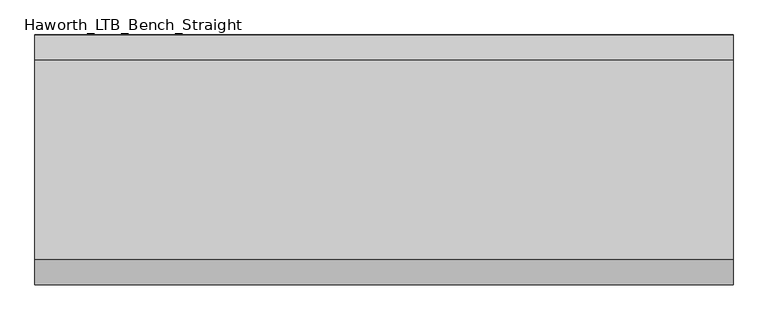
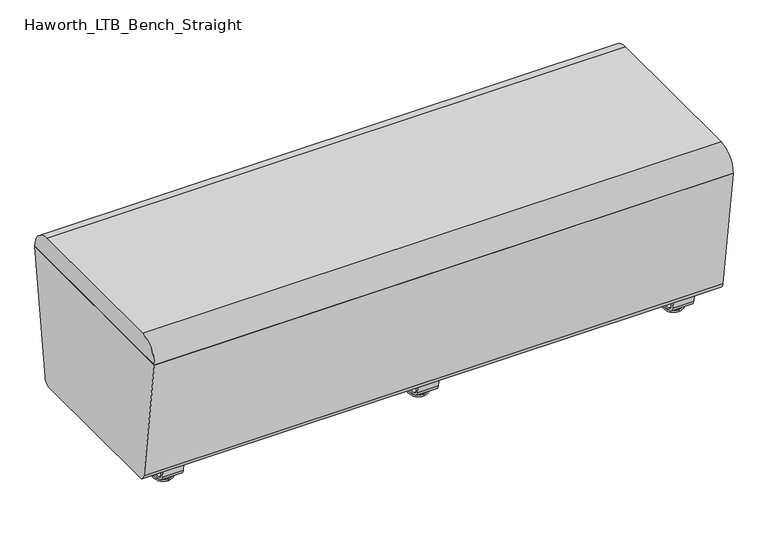
"""IFC4 building model written with IfcOpenShell, lengths in millimetres: furniture geometry, Haworth_LTB_Bench_Straight."""

from ifc_helpers import new_model, si_unit, point, frame, frame_2d, origin, place, context, project, spatial, polyline, circle_curve, ellipse_curve, trimmed, segment, composite_curve, outline, extrude, source, transform, mapped, element, save
from ifc_brep_helpers import plane_surface, cylinder_surface, revolved_surface, advanced_brep


def haworth_ltb_bench_straight_072368e2(model_context):
    return source(origin(), model_context, "Body", "SolidModel", [
        extrude(outline(composite_curve([segment(polyline([(-206.6541239, 66.3557108), (-249.9820603, 374.65), (249.9820603, 374.65), (206.6541239, 66.3557108)]), True, "CONTINUOUS"), segment(trimmed(circle_curve(frame_2d((187.8390314, 68.9999996)), 18.9999992), [point((206.6541239, 66.3557108))], [point((187.8390314, 50.0000004))], False, "CARTESIAN"), True, "CONTINUOUS"), segment(polyline([(187.8390314, 50.0000004), (-187.8390314, 50.0000004)]), True, "CONTINUOUS"), segment(trimmed(circle_curve(frame_2d((-187.8390314, 68.9999996)), 18.9999992), [point((-187.8390314, 50.0000004))], [point((-206.6541239, 66.3557108))], False, "CARTESIAN"), True, "CONTINUOUS")], self_intersect=False)), frame((-698.5, 0.0, 0.0), z_axis=(1.0, 0.0, 0.0), x_axis=(0.0, 1.0, 0.0)), (0.0, 0.0, 1.0), 1397.0),
        extrude(outline(composite_curve([segment(polyline([(-200.0364582, 425.0000034), (200.0364582, 425.0000034)]), True, "CONTINUOUS"), segment(trimmed(circle_curve(frame_2d((200.0364582, 375.0527773)), 49.9472261), [point((200.0364582, 425.0000034))], [point((249.9820603, 374.6499999))], False, "CARTESIAN"), True, "CONTINUOUS"), segment(polyline([(249.9820603, 374.6499999), (-249.9820603, 374.6499999)]), True, "CONTINUOUS"), segment(trimmed(circle_curve(frame_2d((-200.0364582, 375.0527773)), 49.9472261), [point((-249.9820603, 374.6499999))], [point((-200.0364582, 425.0000034))], False, "CARTESIAN"), True, "CONTINUOUS")], self_intersect=False)), frame((-698.5, 0.0, 0.0), z_axis=(1.0, 0.0, 0.0), x_axis=(0.0, 1.0, 0.0)), (0.0, 0.0, 1.0), 1397.0),
        advanced_brep(
        [(0.0, 134.8425052, 7.8133431), (0.0, 138.0765284, 7.8133431), (0.0, 147.6015284, 7.8133431), (0.0, 150.8355515, 7.8133431), (0.0, 120.9001513, 4.0775), (0.0, 164.7779054, 4.0775), (0.0, 121.3107026, 0.0), (0.0, 164.3673542, 0.0), (0.0, 142.8390284, 0.0), (0.0, 138.0765284, 50.0000004), (0.0, 142.8390284, 50.0000004), (0.0, 147.6015284, 50.0000004)],
        [
            (0, 1),
            (1, 2, circle_curve(frame((0.0, 142.8390284, 7.8133431), z_axis=(0.0, 0.0, -1.0), x_axis=(0.0, 1.0, 0.0)), 4.7625)),
            (2, 3),
            (3, 0, circle_curve(frame((0.0, 142.8390284, 7.8133431), z_axis=(0.0, 0.0, 1.0), x_axis=(0.0, 1.0, 0.0)), 7.9965232)),
            (2, 1, circle_curve(frame((0.0, 142.8390284, 7.8133431), z_axis=(0.0, 0.0, -1.0), x_axis=(0.0, 1.0, 0.0)), 4.7625)),
            (0, 3, circle_curve(frame((0.0, 142.8390284, 7.8133431), z_axis=(0.0, 0.0, 1.0), x_axis=(0.0, 1.0, 0.0)), 7.9965232)),
            (4, 0),
            (3, 5),
            (5, 4, circle_curve(frame((0.0, 142.8390284, 4.0775), z_axis=(0.0, 0.0, 1.0), x_axis=(0.0, 1.0, 0.0)), 21.9388771)),
            (4, 5, circle_curve(frame((0.0, 142.8390284, 4.0775), z_axis=(0.0, 0.0, 1.0), x_axis=(0.0, 1.0, 0.0)), 21.9388771)),
            (6, 4, circle_curve(frame((0.0, 121.4374745, 2.0721829), z_axis=(-1.0, 0.0, 0.0), x_axis=(0.0, 1.0, 0.0)), 2.0760571)),
            (5, 7, circle_curve(frame((0.0, 164.2405822, 2.0721829), z_axis=(-1.0, 0.0, 0.0), x_axis=(0.0, -1.0, 0.0)), 2.0760571)),
            (7, 6, circle_curve(frame((0.0, 142.8390284, 0.0), z_axis=(0.0, 0.0, 1.0), x_axis=(0.0, 1.0, 0.0)), 21.5283258)),
            (6, 7, circle_curve(frame((0.0, 142.8390284, 0.0), z_axis=(0.0, 0.0, 1.0), x_axis=(0.0, 1.0, 0.0)), 21.5283258)),
            (8, 6),
            (7, 8),
            (9, 10),
            (10, 11),
            (11, 9, circle_curve(frame((0.0, 142.8390284, 50.0000004), z_axis=(0.0, 0.0, 1.0), x_axis=(0.0, 1.0, 0.0)), 4.7625)),
            (9, 11, circle_curve(frame((0.0, 142.8390284, 50.0000004), z_axis=(0.0, 0.0, 1.0), x_axis=(0.0, 1.0, 0.0)), 4.7625)),
            (1, 9),
            (11, 2),
        ],
        [
            plane_surface(frame((0.0, 142.8390284, 7.8133431), z_axis=(0.0, 0.0, 1.0), x_axis=(0.0, 1.0, 0.0))),
            revolved_surface(polyline([(0.0, 150.8355515, 7.8133431), (0.0, 164.7779054, 4.0775)]), (0.0, 142.8390284, 0.0), (0.0, 0.0, -1.0)),
            revolved_surface(trimmed(ellipse_curve(frame((0.0, 164.2405822, 2.0721829), z_axis=(-1.0, 0.0, 0.0), x_axis=(0.0, -1.0, 0.0)), 2.0760571, 2.0760571), [point((0.0, 164.7779054, 4.0775))], [point((0.0, 164.3673542, 0.0))], True, "CARTESIAN"), (0.0, 142.8390284, 0.0), (0.0, 0.0, -1.0)),
            plane_surface(frame((0.0, 142.8390284, 0.0), z_axis=(0.0, 0.0, -1.0), x_axis=(0.0, 1.0, 0.0))),
            plane_surface(frame((0.0, 142.8390284, 50.0000004), z_axis=(0.0, 0.0, 1.0), x_axis=(0.0, 1.0, 0.0))),
            cylinder_surface(frame((0.0, 142.8390284, 0.0), z_axis=(0.0, 0.0, -1.0), x_axis=(0.0, 1.0, 0.0)), 4.7625),
        ],
        [
            (0, [[1, 2, 3, 4]]),
            (0, [[-3, 5, -1, 6]]),
            (1, [[7, -4, 8, 9]]),
            (1, [[-8, -6, -7, 10]]),
            (2, [[11, -9, 12, 13]]),
            (2, [[-12, -10, -11, 14]]),
            (3, [[15, -13, 16]]),
            (3, [[-16, -14, -15]]),
            (4, [[17, 18, 19]]),
            (4, [[-18, -17, 20]]),
            (5, [[21, -19, 22, -2]]),
            (5, [[-22, -20, -21, -5]]),
        ],
    ),
        advanced_brep(
        [(0.0, -138.0765284, 7.8133431), (0.0, -134.8425052, 7.8133431), (0.0, -150.8355515, 7.8133431), (0.0, -147.6015284, 7.8133431), (0.0, -120.9001513, 4.0775), (0.0, -164.7779054, 4.0775), (0.0, -121.3107026, 0.0), (0.0, -164.3673542, 0.0), (0.0, -142.8390284, 0.0), (0.0, -142.8390284, 50.0000004), (0.0, -138.0765284, 50.0000004), (0.0, -147.6015284, 50.0000004)],
        [
            (0, 1),
            (1, 2, circle_curve(frame((0.0, -142.8390284, 7.8133431), z_axis=(0.0, 0.0, 1.0), x_axis=(0.0, -1.0, 0.0)), 7.9965232)),
            (2, 3),
            (3, 0, circle_curve(frame((0.0, -142.8390284, 7.8133431), z_axis=(0.0, 0.0, -1.0), x_axis=(0.0, -1.0, 0.0)), 4.7625)),
            (2, 1, circle_curve(frame((0.0, -142.8390284, 7.8133431), z_axis=(0.0, 0.0, 1.0), x_axis=(0.0, -1.0, 0.0)), 7.9965232)),
            (0, 3, circle_curve(frame((0.0, -142.8390284, 7.8133431), z_axis=(0.0, 0.0, -1.0), x_axis=(0.0, -1.0, 0.0)), 4.7625)),
            (1, 4),
            (4, 5, circle_curve(frame((0.0, -142.8390284, 4.0775), z_axis=(0.0, 0.0, 1.0), x_axis=(0.0, -1.0, 0.0)), 21.9388771)),
            (5, 2),
            (5, 4, circle_curve(frame((0.0, -142.8390284, 4.0775), z_axis=(0.0, 0.0, 1.0), x_axis=(0.0, -1.0, 0.0)), 21.9388771)),
            (4, 6, circle_curve(frame((0.0, -121.4374745, 2.0721829), z_axis=(-1.0, 0.0, 0.0), x_axis=(0.0, -1.0, 0.0)), 2.0760571)),
            (6, 7, circle_curve(frame((0.0, -142.8390284, 0.0), z_axis=(0.0, 0.0, 1.0), x_axis=(0.0, -1.0, 0.0)), 21.5283258)),
            (7, 5, circle_curve(frame((0.0, -164.2405822, 2.0721829), z_axis=(-1.0, 0.0, 0.0), x_axis=(0.0, 1.0, 0.0)), 2.0760571)),
            (7, 6, circle_curve(frame((0.0, -142.8390284, 0.0), z_axis=(0.0, 0.0, 1.0), x_axis=(0.0, -1.0, 0.0)), 21.5283258)),
            (6, 8),
            (8, 7),
            (9, 10),
            (10, 11, circle_curve(frame((0.0, -142.8390284, 50.0000004), z_axis=(0.0, 0.0, 1.0), x_axis=(0.0, -1.0, 0.0)), 4.7625)),
            (11, 9),
            (11, 10, circle_curve(frame((0.0, -142.8390284, 50.0000004), z_axis=(0.0, 0.0, 1.0), x_axis=(0.0, -1.0, 0.0)), 4.7625)),
            (10, 0),
            (3, 11),
        ],
        [
            plane_surface(frame((0.0, -142.8390284, 7.8133431), z_axis=(0.0, 0.0, 1.0), x_axis=(0.0, -1.0, 0.0))),
            revolved_surface(polyline([(0.0, -164.7779054, 4.0775), (0.0, -150.8355515, 7.8133431)]), (0.0, -142.8390284, 0.0), (0.0, 0.0, 1.0)),
            revolved_surface(trimmed(ellipse_curve(frame((0.0, -164.2405822, 2.0721829), z_axis=(-1.0, 0.0, 0.0), x_axis=(0.0, 1.0, 0.0)), 2.0760571, 2.0760571), [point((0.0, -164.3673542, 0.0))], [point((0.0, -164.7779054, 4.0775))], True, "CARTESIAN"), (0.0, -142.8390284, 0.0), (0.0, 0.0, 1.0)),
            plane_surface(frame((0.0, -142.8390284, 0.0), z_axis=(0.0, 0.0, -1.0), x_axis=(0.0, -1.0, 0.0))),
            plane_surface(frame((0.0, -142.8390284, 50.0000004), z_axis=(0.0, 0.0, 1.0), x_axis=(0.0, -1.0, 0.0))),
            cylinder_surface(frame((0.0, -142.8390284, 0.0), z_axis=(0.0, 0.0, 1.0), x_axis=(0.0, -1.0, 0.0)), 4.7625),
        ],
        [
            (0, [[1, 2, 3, 4]]),
            (0, [[-3, 5, -1, 6]]),
            (1, [[7, 8, 9, -2]]),
            (1, [[-9, 10, -7, -5]]),
            (2, [[11, 12, 13, -8]]),
            (2, [[-13, 14, -11, -10]]),
            (3, [[15, 16, -12]]),
            (3, [[-16, -15, -14]]),
            (4, [[17, 18, 19]]),
            (4, [[-19, 20, -17]]),
            (5, [[21, -4, 22, -18]]),
            (5, [[-22, -6, -21, -20]]),
        ],
    ),
        extrude(outline(composite_curve([segment(polyline([(-188.6158944, 62.9950557), (-182.9812615, 63.7869505), (-178.0507241, 28.7043023)]), True, "CONTINUOUS"), segment(trimmed(circle_curve(frame_2d((-168.8313262, 30.0000023)), 9.310002), [point((-178.0507241, 28.7043023))], [point((-168.8313262, 20.6900003))], True, "CARTESIAN"), True, "CONTINUOUS"), segment(polyline([(-168.8313262, 20.6900003), (168.8313262, 20.6900003)]), True, "CONTINUOUS"), segment(trimmed(circle_curve(frame_2d((168.8313262, 30.0000023)), 9.310002), [point((168.8313262, 20.6900003))], [point((178.0507241, 28.7043023))], True, "CARTESIAN"), True, "CONTINUOUS"), segment(polyline([(178.0507241, 28.7043023), (182.9812615, 63.7869505), (188.6158944, 62.9950557), (183.6853496, 27.9124042)]), True, "CONTINUOUS"), segment(trimmed(circle_curve(frame_2d((168.8313276, 30.0000007)), 15.000001), [point((183.6853496, 27.9124042))], [point((168.8313276, 14.9999997))], False, "CARTESIAN"), True, "CONTINUOUS"), segment(polyline([(168.8313276, 14.9999997), (-168.8313276, 14.9999997)]), True, "CONTINUOUS"), segment(trimmed(circle_curve(frame_2d((-168.8313276, 30.0000007)), 15.000001), [point((-168.8313276, 14.9999997))], [point((-183.6853496, 27.9124042))], False, "CARTESIAN"), True, "CONTINUOUS"), segment(polyline([(-183.6853496, 27.9124042), (-188.6158944, 62.9950557)]), True, "CONTINUOUS")], self_intersect=False)), frame((-25.4, 0.0, 0.0), z_axis=(1.0, 0.0, 0.0), x_axis=(0.0, 1.0, 0.0)), (0.0, 0.0, 1.0), 50.8),
        advanced_brep(
        [(616.0045358, 134.8425052, 7.8133431), (616.0045358, 138.0765284, 7.8133431), (616.0045358, 147.6015284, 7.8133431), (616.0045358, 150.8355515, 7.8133431), (616.0045358, 120.9001513, 4.0775), (616.0045358, 164.7779054, 4.0775), (616.0045358, 121.3107026, 0.0), (616.0045358, 164.3673542, 0.0), (616.0045358, 142.8390284, 0.0), (616.0045358, 138.0765284, 50.0000004), (616.0045358, 142.8390284, 50.0000004), (616.0045358, 147.6015284, 50.0000004)],
        [
            (0, 1),
            (1, 2, circle_curve(frame((616.0045358, 142.8390284, 7.8133431), z_axis=(0.0, 0.0, -1.0), x_axis=(0.0, 1.0, 0.0)), 4.7625)),
            (2, 3),
            (3, 0, circle_curve(frame((616.0045358, 142.8390284, 7.8133431), z_axis=(0.0, 0.0, 1.0), x_axis=(0.0, 1.0, 0.0)), 7.9965232)),
            (2, 1, circle_curve(frame((616.0045358, 142.8390284, 7.8133431), z_axis=(0.0, 0.0, -1.0), x_axis=(0.0, 1.0, 0.0)), 4.7625)),
            (0, 3, circle_curve(frame((616.0045358, 142.8390284, 7.8133431), z_axis=(0.0, 0.0, 1.0), x_axis=(0.0, 1.0, 0.0)), 7.9965232)),
            (4, 0),
            (3, 5),
            (5, 4, circle_curve(frame((616.0045358, 142.8390284, 4.0775), z_axis=(0.0, 0.0, 1.0), x_axis=(0.0, 1.0, 0.0)), 21.9388771)),
            (4, 5, circle_curve(frame((616.0045358, 142.8390284, 4.0775), z_axis=(0.0, 0.0, 1.0), x_axis=(0.0, 1.0, 0.0)), 21.9388771)),
            (6, 4, circle_curve(frame((616.0045358, 121.4374745, 2.0721829), z_axis=(-1.0, 0.0, 0.0), x_axis=(0.0, 1.0, 0.0)), 2.0760571)),
            (5, 7, circle_curve(frame((616.0045358, 164.2405822, 2.0721829), z_axis=(-1.0, 0.0, 0.0), x_axis=(0.0, -1.0, 0.0)), 2.0760571)),
            (7, 6, circle_curve(frame((616.0045358, 142.8390284, 0.0), z_axis=(0.0, 0.0, 1.0), x_axis=(0.0, 1.0, 0.0)), 21.5283258)),
            (6, 7, circle_curve(frame((616.0045358, 142.8390284, 0.0), z_axis=(0.0, 0.0, 1.0), x_axis=(0.0, 1.0, 0.0)), 21.5283258)),
            (8, 6),
            (7, 8),
            (9, 10),
            (10, 11),
            (11, 9, circle_curve(frame((616.0045358, 142.8390284, 50.0000004), z_axis=(0.0, 0.0, 1.0), x_axis=(0.0, 1.0, 0.0)), 4.7625)),
            (9, 11, circle_curve(frame((616.0045358, 142.8390284, 50.0000004), z_axis=(0.0, 0.0, 1.0), x_axis=(0.0, 1.0, 0.0)), 4.7625)),
            (1, 9),
            (11, 2),
        ],
        [
            plane_surface(frame((616.0045358, 142.8390284, 7.8133431), z_axis=(0.0, 0.0, 1.0), x_axis=(0.0, 1.0, 0.0))),
            revolved_surface(polyline([(616.0045358, 150.8355515, 7.8133431), (616.0045358, 164.7779054, 4.0775)]), (616.0045358, 142.8390284, 0.0), (0.0, 0.0, -1.0)),
            revolved_surface(trimmed(ellipse_curve(frame((616.0045358, 164.2405822, 2.0721829), z_axis=(-1.0, 0.0, 0.0), x_axis=(0.0, -1.0, 0.0)), 2.0760571, 2.0760571), [point((616.0045358, 164.7779054, 4.0775))], [point((616.0045358, 164.3673542, 0.0))], True, "CARTESIAN"), (616.0045358, 142.8390284, 0.0), (0.0, 0.0, -1.0)),
            plane_surface(frame((616.0045358, 142.8390284, 0.0), z_axis=(0.0, 0.0, -1.0), x_axis=(0.0, 1.0, 0.0))),
            plane_surface(frame((616.0045358, 142.8390284, 50.0000004), z_axis=(0.0, 0.0, 1.0), x_axis=(0.0, 1.0, 0.0))),
            cylinder_surface(frame((616.0045358, 142.8390284, 0.0), z_axis=(0.0, 0.0, -1.0), x_axis=(0.0, 1.0, 0.0)), 4.7625),
        ],
        [
            (0, [[1, 2, 3, 4]]),
            (0, [[-3, 5, -1, 6]]),
            (1, [[7, -4, 8, 9]]),
            (1, [[-8, -6, -7, 10]]),
            (2, [[11, -9, 12, 13]]),
            (2, [[-12, -10, -11, 14]]),
            (3, [[15, -13, 16]]),
            (3, [[-16, -14, -15]]),
            (4, [[17, 18, 19]]),
            (4, [[-18, -17, 20]]),
            (5, [[21, -19, 22, -2]]),
            (5, [[-22, -20, -21, -5]]),
        ],
    ),
        advanced_brep(
        [(616.0045358, -138.0765284, 7.8133431), (616.0045358, -134.8425052, 7.8133431), (616.0045358, -150.8355515, 7.8133431), (616.0045358, -147.6015284, 7.8133431), (616.0045358, -120.9001513, 4.0775), (616.0045358, -164.7779054, 4.0775), (616.0045358, -121.3107026, 0.0), (616.0045358, -164.3673542, 0.0), (616.0045358, -142.8390284, 0.0), (616.0045358, -142.8390284, 50.0000004), (616.0045358, -138.0765284, 50.0000004), (616.0045358, -147.6015284, 50.0000004)],
        [
            (0, 1),
            (1, 2, circle_curve(frame((616.0045358, -142.8390284, 7.8133431), z_axis=(0.0, 0.0, 1.0), x_axis=(0.0, -1.0, 0.0)), 7.9965232)),
            (2, 3),
            (3, 0, circle_curve(frame((616.0045358, -142.8390284, 7.8133431), z_axis=(0.0, 0.0, -1.0), x_axis=(0.0, -1.0, 0.0)), 4.7625)),
            (2, 1, circle_curve(frame((616.0045358, -142.8390284, 7.8133431), z_axis=(0.0, 0.0, 1.0), x_axis=(0.0, -1.0, 0.0)), 7.9965232)),
            (0, 3, circle_curve(frame((616.0045358, -142.8390284, 7.8133431), z_axis=(0.0, 0.0, -1.0), x_axis=(0.0, -1.0, 0.0)), 4.7625)),
            (1, 4),
            (4, 5, circle_curve(frame((616.0045358, -142.8390284, 4.0775), z_axis=(0.0, 0.0, 1.0), x_axis=(0.0, -1.0, 0.0)), 21.9388771)),
            (5, 2),
            (5, 4, circle_curve(frame((616.0045358, -142.8390284, 4.0775), z_axis=(0.0, 0.0, 1.0), x_axis=(0.0, -1.0, 0.0)), 21.9388771)),
            (4, 6, circle_curve(frame((616.0045358, -121.4374745, 2.0721829), z_axis=(-1.0, 0.0, 0.0), x_axis=(0.0, -1.0, 0.0)), 2.0760571)),
            (6, 7, circle_curve(frame((616.0045358, -142.8390284, 0.0), z_axis=(0.0, 0.0, 1.0), x_axis=(0.0, -1.0, 0.0)), 21.5283258)),
            (7, 5, circle_curve(frame((616.0045358, -164.2405822, 2.0721829), z_axis=(-1.0, 0.0, 0.0), x_axis=(0.0, 1.0, 0.0)), 2.0760571)),
            (7, 6, circle_curve(frame((616.0045358, -142.8390284, 0.0), z_axis=(0.0, 0.0, 1.0), x_axis=(0.0, -1.0, 0.0)), 21.5283258)),
            (6, 8),
            (8, 7),
            (9, 10),
            (10, 11, circle_curve(frame((616.0045358, -142.8390284, 50.0000004), z_axis=(0.0, 0.0, 1.0), x_axis=(0.0, -1.0, 0.0)), 4.7625)),
            (11, 9),
            (11, 10, circle_curve(frame((616.0045358, -142.8390284, 50.0000004), z_axis=(0.0, 0.0, 1.0), x_axis=(0.0, -1.0, 0.0)), 4.7625)),
            (10, 0),
            (3, 11),
        ],
        [
            plane_surface(frame((616.0045358, -142.8390284, 7.8133431), z_axis=(0.0, 0.0, 1.0), x_axis=(0.0, -1.0, 0.0))),
            revolved_surface(polyline([(616.0045358, -164.7779054, 4.0775), (616.0045358, -150.8355515, 7.8133431)]), (616.0045358, -142.8390284, 0.0), (0.0, 0.0, 1.0)),
            revolved_surface(trimmed(ellipse_curve(frame((616.0045358, -164.2405822, 2.0721829), z_axis=(-1.0, 0.0, 0.0), x_axis=(0.0, 1.0, 0.0)), 2.0760571, 2.0760571), [point((616.0045358, -164.3673542, 0.0))], [point((616.0045358, -164.7779054, 4.0775))], True, "CARTESIAN"), (616.0045358, -142.8390284, 0.0), (0.0, 0.0, 1.0)),
            plane_surface(frame((616.0045358, -142.8390284, 0.0), z_axis=(0.0, 0.0, -1.0), x_axis=(0.0, -1.0, 0.0))),
            plane_surface(frame((616.0045358, -142.8390284, 50.0000004), z_axis=(0.0, 0.0, 1.0), x_axis=(0.0, -1.0, 0.0))),
            cylinder_surface(frame((616.0045358, -142.8390284, 0.0), z_axis=(0.0, 0.0, 1.0), x_axis=(0.0, -1.0, 0.0)), 4.7625),
        ],
        [
            (0, [[1, 2, 3, 4]]),
            (0, [[-3, 5, -1, 6]]),
            (1, [[7, 8, 9, -2]]),
            (1, [[-9, 10, -7, -5]]),
            (2, [[11, 12, 13, -8]]),
            (2, [[-13, 14, -11, -10]]),
            (3, [[15, 16, -12]]),
            (3, [[-16, -15, -14]]),
            (4, [[17, 18, 19]]),
            (4, [[-19, 20, -17]]),
            (5, [[21, -4, 22, -18]]),
            (5, [[-22, -6, -21, -20]]),
        ],
    ),
        extrude(outline(composite_curve([segment(polyline([(-188.6158944, 62.9950557), (-182.9812615, 63.7869505), (-178.0507241, 28.7043023)]), True, "CONTINUOUS"), segment(trimmed(circle_curve(frame_2d((-168.8313262, 30.0000023)), 9.310002), [point((-178.0507241, 28.7043023))], [point((-168.8313262, 20.6900003))], True, "CARTESIAN"), True, "CONTINUOUS"), segment(polyline([(-168.8313262, 20.6900003), (168.8313262, 20.6900003)]), True, "CONTINUOUS"), segment(trimmed(circle_curve(frame_2d((168.8313262, 30.0000023)), 9.310002), [point((168.8313262, 20.6900003))], [point((178.0507241, 28.7043023))], True, "CARTESIAN"), True, "CONTINUOUS"), segment(polyline([(178.0507241, 28.7043023), (182.9812615, 63.7869505), (188.6158944, 62.9950557), (183.6853496, 27.9124042)]), True, "CONTINUOUS"), segment(trimmed(circle_curve(frame_2d((168.8313276, 30.0000007)), 15.000001), [point((183.6853496, 27.9124042))], [point((168.8313276, 14.9999997))], False, "CARTESIAN"), True, "CONTINUOUS"), segment(polyline([(168.8313276, 14.9999997), (-168.8313276, 14.9999997)]), True, "CONTINUOUS"), segment(trimmed(circle_curve(frame_2d((-168.8313276, 30.0000007)), 15.000001), [point((-168.8313276, 14.9999997))], [point((-183.6853496, 27.9124042))], False, "CARTESIAN"), True, "CONTINUOUS"), segment(polyline([(-183.6853496, 27.9124042), (-188.6158944, 62.9950557)]), True, "CONTINUOUS")], self_intersect=False)), frame((590.6045358, 0.0, 0.0), z_axis=(1.0, 0.0, 0.0), x_axis=(0.0, 1.0, 0.0)), (0.0, 0.0, 1.0), 50.8),
        advanced_brep(
        [(-616.0045358, 138.0765284, 7.8133431), (-616.0045358, 134.8425052, 7.8133431), (-616.0045358, 150.8355515, 7.8133431), (-616.0045358, 147.6015284, 7.8133431), (-616.0045358, 120.9001513, 4.0775), (-616.0045358, 164.7779054, 4.0775), (-616.0045358, 121.3107026, 0.0), (-616.0045358, 164.3673542, 0.0), (-616.0045358, 142.8390284, 0.0), (-616.0045358, 142.8390284, 50.0000004), (-616.0045358, 138.0765284, 50.0000004), (-616.0045358, 147.6015284, 50.0000004)],
        [
            (0, 1),
            (1, 2, circle_curve(frame((-616.0045358, 142.8390284, 7.8133431), z_axis=(0.0, 0.0, 1.0), x_axis=(0.0, 1.0, 0.0)), 7.9965232)),
            (2, 3),
            (3, 0, circle_curve(frame((-616.0045358, 142.8390284, 7.8133431), z_axis=(0.0, 0.0, -1.0), x_axis=(0.0, 1.0, 0.0)), 4.7625)),
            (2, 1, circle_curve(frame((-616.0045358, 142.8390284, 7.8133431), z_axis=(0.0, 0.0, 1.0), x_axis=(0.0, 1.0, 0.0)), 7.9965232)),
            (0, 3, circle_curve(frame((-616.0045358, 142.8390284, 7.8133431), z_axis=(0.0, 0.0, -1.0), x_axis=(0.0, 1.0, 0.0)), 4.7625)),
            (1, 4),
            (4, 5, circle_curve(frame((-616.0045358, 142.8390284, 4.0775), z_axis=(0.0, 0.0, 1.0), x_axis=(0.0, 1.0, 0.0)), 21.9388771)),
            (5, 2),
            (5, 4, circle_curve(frame((-616.0045358, 142.8390284, 4.0775), z_axis=(0.0, 0.0, 1.0), x_axis=(0.0, 1.0, 0.0)), 21.9388771)),
            (4, 6, circle_curve(frame((-616.0045358, 121.4374745, 2.0721829), z_axis=(1.0, 0.0, 0.0), x_axis=(0.0, 1.0, 0.0)), 2.0760571)),
            (6, 7, circle_curve(frame((-616.0045358, 142.8390284, 0.0), z_axis=(0.0, 0.0, 1.0), x_axis=(0.0, 1.0, 0.0)), 21.5283258)),
            (7, 5, circle_curve(frame((-616.0045358, 164.2405822, 2.0721829), z_axis=(1.0, 0.0, 0.0), x_axis=(0.0, -1.0, 0.0)), 2.0760571)),
            (7, 6, circle_curve(frame((-616.0045358, 142.8390284, 0.0), z_axis=(0.0, 0.0, 1.0), x_axis=(0.0, 1.0, 0.0)), 21.5283258)),
            (6, 8),
            (8, 7),
            (9, 10),
            (10, 11, circle_curve(frame((-616.0045358, 142.8390284, 50.0000004), z_axis=(0.0, 0.0, 1.0), x_axis=(0.0, 1.0, 0.0)), 4.7625)),
            (11, 9),
            (11, 10, circle_curve(frame((-616.0045358, 142.8390284, 50.0000004), z_axis=(0.0, 0.0, 1.0), x_axis=(0.0, 1.0, 0.0)), 4.7625)),
            (10, 0),
            (3, 11),
        ],
        [
            plane_surface(frame((-616.0045358, 142.8390284, 7.8133431), z_axis=(0.0, 0.0, 1.0), x_axis=(0.0, 1.0, 0.0))),
            revolved_surface(polyline([(-616.0045358, 164.7779054, 4.0775), (-616.0045358, 150.8355515, 7.8133431)]), (-616.0045358, 142.8390284, 0.0), (0.0, 0.0, 1.0)),
            revolved_surface(trimmed(ellipse_curve(frame((-616.0045358, 164.2405822, 2.0721829), z_axis=(1.0, 0.0, 0.0), x_axis=(0.0, -1.0, 0.0)), 2.0760571, 2.0760571), [point((-616.0045358, 164.3673542, 0.0))], [point((-616.0045358, 164.7779054, 4.0775))], True, "CARTESIAN"), (-616.0045358, 142.8390284, 0.0), (0.0, 0.0, 1.0)),
            plane_surface(frame((-616.0045358, 142.8390284, 0.0), z_axis=(0.0, 0.0, -1.0), x_axis=(0.0, 1.0, 0.0))),
            plane_surface(frame((-616.0045358, 142.8390284, 50.0000004), z_axis=(0.0, 0.0, 1.0), x_axis=(0.0, 1.0, 0.0))),
            cylinder_surface(frame((-616.0045358, 142.8390284, 0.0), z_axis=(0.0, 0.0, 1.0), x_axis=(0.0, 1.0, 0.0)), 4.7625),
        ],
        [
            (0, [[1, 2, 3, 4]]),
            (0, [[-3, 5, -1, 6]]),
            (1, [[7, 8, 9, -2]]),
            (1, [[-9, 10, -7, -5]]),
            (2, [[11, 12, 13, -8]]),
            (2, [[-13, 14, -11, -10]]),
            (3, [[15, 16, -12]]),
            (3, [[-16, -15, -14]]),
            (4, [[17, 18, 19]]),
            (4, [[-19, 20, -17]]),
            (5, [[21, -4, 22, -18]]),
            (5, [[-22, -6, -21, -20]]),
        ],
    ),
        advanced_brep(
        [(-616.0045358, -134.8425052, 7.8133431), (-616.0045358, -138.0765284, 7.8133431), (-616.0045358, -147.6015284, 7.8133431), (-616.0045358, -150.8355515, 7.8133431), (-616.0045358, -120.9001513, 4.0775), (-616.0045358, -164.7779054, 4.0775), (-616.0045358, -121.3107026, 0.0), (-616.0045358, -164.3673542, 0.0), (-616.0045358, -142.8390284, 0.0), (-616.0045358, -138.0765284, 50.0000004), (-616.0045358, -142.8390284, 50.0000004), (-616.0045358, -147.6015284, 50.0000004)],
        [
            (0, 1),
            (1, 2, circle_curve(frame((-616.0045358, -142.8390284, 7.8133431), z_axis=(0.0, 0.0, -1.0), x_axis=(0.0, -1.0, 0.0)), 4.7625)),
            (2, 3),
            (3, 0, circle_curve(frame((-616.0045358, -142.8390284, 7.8133431), z_axis=(0.0, 0.0, 1.0), x_axis=(0.0, -1.0, 0.0)), 7.9965232)),
            (2, 1, circle_curve(frame((-616.0045358, -142.8390284, 7.8133431), z_axis=(0.0, 0.0, -1.0), x_axis=(0.0, -1.0, 0.0)), 4.7625)),
            (0, 3, circle_curve(frame((-616.0045358, -142.8390284, 7.8133431), z_axis=(0.0, 0.0, 1.0), x_axis=(0.0, -1.0, 0.0)), 7.9965232)),
            (4, 0),
            (3, 5),
            (5, 4, circle_curve(frame((-616.0045358, -142.8390284, 4.0775), z_axis=(0.0, 0.0, 1.0), x_axis=(0.0, -1.0, 0.0)), 21.9388771)),
            (4, 5, circle_curve(frame((-616.0045358, -142.8390284, 4.0775), z_axis=(0.0, 0.0, 1.0), x_axis=(0.0, -1.0, 0.0)), 21.9388771)),
            (6, 4, circle_curve(frame((-616.0045358, -121.4374745, 2.0721829), z_axis=(1.0, 0.0, 0.0), x_axis=(0.0, -1.0, 0.0)), 2.0760571)),
            (5, 7, circle_curve(frame((-616.0045358, -164.2405822, 2.0721829), z_axis=(1.0, 0.0, 0.0), x_axis=(0.0, 1.0, 0.0)), 2.0760571)),
            (7, 6, circle_curve(frame((-616.0045358, -142.8390284, 0.0), z_axis=(0.0, 0.0, 1.0), x_axis=(0.0, -1.0, 0.0)), 21.5283258)),
            (6, 7, circle_curve(frame((-616.0045358, -142.8390284, 0.0), z_axis=(0.0, 0.0, 1.0), x_axis=(0.0, -1.0, 0.0)), 21.5283258)),
            (8, 6),
            (7, 8),
            (9, 10),
            (10, 11),
            (11, 9, circle_curve(frame((-616.0045358, -142.8390284, 50.0000004), z_axis=(0.0, 0.0, 1.0), x_axis=(0.0, -1.0, 0.0)), 4.7625)),
            (9, 11, circle_curve(frame((-616.0045358, -142.8390284, 50.0000004), z_axis=(0.0, 0.0, 1.0), x_axis=(0.0, -1.0, 0.0)), 4.7625)),
            (1, 9),
            (11, 2),
        ],
        [
            plane_surface(frame((-616.0045358, -142.8390284, 7.8133431), z_axis=(0.0, 0.0, 1.0), x_axis=(0.0, -1.0, 0.0))),
            revolved_surface(polyline([(-616.0045358, -150.8355515, 7.8133431), (-616.0045358, -164.7779054, 4.0775)]), (-616.0045358, -142.8390284, 0.0), (0.0, 0.0, -1.0)),
            revolved_surface(trimmed(ellipse_curve(frame((-616.0045358, -164.2405822, 2.0721829), z_axis=(1.0, 0.0, 0.0), x_axis=(0.0, 1.0, 0.0)), 2.0760571, 2.0760571), [point((-616.0045358, -164.7779054, 4.0775))], [point((-616.0045358, -164.3673542, 0.0))], True, "CARTESIAN"), (-616.0045358, -142.8390284, 0.0), (0.0, 0.0, -1.0)),
            plane_surface(frame((-616.0045358, -142.8390284, 0.0), z_axis=(0.0, 0.0, -1.0), x_axis=(0.0, -1.0, 0.0))),
            plane_surface(frame((-616.0045358, -142.8390284, 50.0000004), z_axis=(0.0, 0.0, 1.0), x_axis=(0.0, -1.0, 0.0))),
            cylinder_surface(frame((-616.0045358, -142.8390284, 0.0), z_axis=(0.0, 0.0, -1.0), x_axis=(0.0, -1.0, 0.0)), 4.7625),
        ],
        [
            (0, [[1, 2, 3, 4]]),
            (0, [[-3, 5, -1, 6]]),
            (1, [[7, -4, 8, 9]]),
            (1, [[-8, -6, -7, 10]]),
            (2, [[11, -9, 12, 13]]),
            (2, [[-12, -10, -11, 14]]),
            (3, [[15, -13, 16]]),
            (3, [[-16, -14, -15]]),
            (4, [[17, 18, 19]]),
            (4, [[-18, -17, 20]]),
            (5, [[21, -19, 22, -2]]),
            (5, [[-22, -20, -21, -5]]),
        ],
    ),
        extrude(outline(composite_curve([segment(polyline([(-188.6158944, 62.9950557), (-182.9812615, 63.7869505), (-178.0507241, 28.7043023)]), True, "CONTINUOUS"), segment(trimmed(circle_curve(frame_2d((-168.8313262, 30.0000023)), 9.310002), [point((-178.0507241, 28.7043023))], [point((-168.8313262, 20.6900003))], True, "CARTESIAN"), True, "CONTINUOUS"), segment(polyline([(-168.8313262, 20.6900003), (168.8313262, 20.6900003)]), True, "CONTINUOUS"), segment(trimmed(circle_curve(frame_2d((168.8313262, 30.0000023)), 9.310002), [point((168.8313262, 20.6900003))], [point((178.0507241, 28.7043023))], True, "CARTESIAN"), True, "CONTINUOUS"), segment(polyline([(178.0507241, 28.7043023), (182.9812615, 63.7869505), (188.6158944, 62.9950557), (183.6853496, 27.9124042)]), True, "CONTINUOUS"), segment(trimmed(circle_curve(frame_2d((168.8313276, 30.0000007)), 15.000001), [point((183.6853496, 27.9124042))], [point((168.8313276, 14.9999997))], False, "CARTESIAN"), True, "CONTINUOUS"), segment(polyline([(168.8313276, 14.9999997), (-168.8313276, 14.9999997)]), True, "CONTINUOUS"), segment(trimmed(circle_curve(frame_2d((-168.8313276, 30.0000007)), 15.000001), [point((-168.8313276, 14.9999997))], [point((-183.6853496, 27.9124042))], False, "CARTESIAN"), True, "CONTINUOUS"), segment(polyline([(-183.6853496, 27.9124042), (-188.6158944, 62.9950557)]), True, "CONTINUOUS")], self_intersect=False)), frame((-641.4045358, 0.0, 0.0), z_axis=(1.0, 0.0, 0.0), x_axis=(0.0, 1.0, 0.0)), (0.0, 0.0, 1.0), 50.8),
    ])


if __name__ == "__main__":
    model = new_model("IFC4")
    model_context = context("Model", 3, world=origin())
    ifc_project = project(units=[si_unit("LENGTHUNIT", "METRE", prefix="MILLI")], contexts=[model_context])
    site = spatial("IfcSite", under=ifc_project)
    building = spatial("IfcBuilding", under=site)
    placement = place(None, origin())
    haworth_ltb_bench_straight_shape = haworth_ltb_bench_straight_072368e2(model_context)
    element("IfcFurniture", 1, ObjectType="Haworth_LTB_Bench_Straight", at=placement, inside=building, context=model_context, shape_type="MappedRepresentation", body=[
        mapped(haworth_ltb_bench_straight_shape, transform((0.0, 0.0, 0.0), x_axis=(1.0, 0.0, 0.0), y_axis=(0.0, 1.0, 0.0), z_axis=(0.0, 0.0, 1.0))),
    ])
    save(model, "model.ifc")
